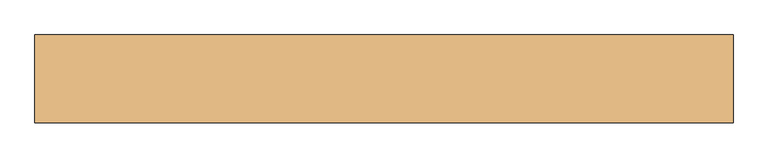
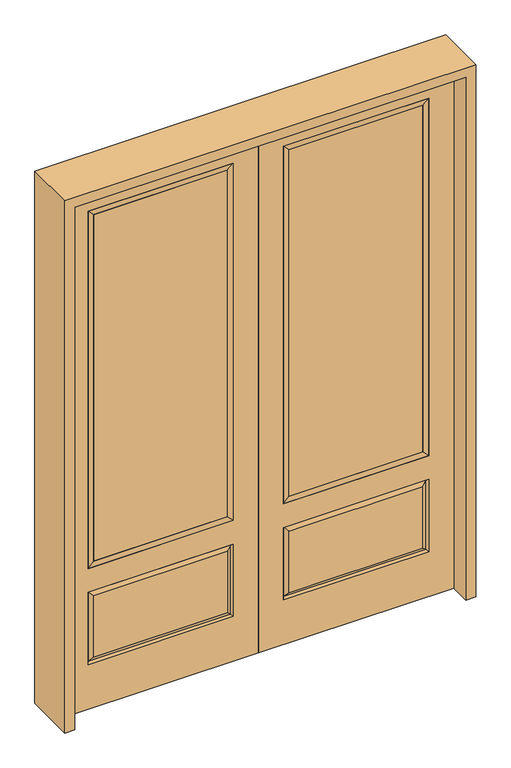
"""IFC4 building model written with IfcOpenShell, lengths in millimetres: door geometry."""

from ifc_helpers import new_model, si_unit, frame, origin, place, context, project, spatial, polyline, outline, extrude, faceted_brep, source, transform, mapped, element, save


def door_88334a49(model_context):
    return source(origin(), model_context, "Body", "SolidModel", [
        extrude(outline(polyline([(136.525, -20.32), (136.525, 5.08), (727.075, 5.08), (727.075, -20.32), (136.525, -20.32)])), frame((0.0, 0.0, 682.498), z_axis=(0.0, 0.0, 1.0), x_axis=(1.0, 0.0, 0.0)), (0.0, 0.0, 1.0), 1616.202),
        faceted_brep([(745.3661499, -12.7912373, 216.6588501), (727.86875, -22.225, 234.15625), (135.73125, -22.225, 234.15625), (118.2338501, -12.7912373, 216.6588501), (111.125, -22.225, 209.55), (752.475, -22.225, 209.55), (752.475, -22.225, 546.1), (745.3661499, -12.7912373, 538.9911499), (0.0, -22.225, 2438.4), (0.0, -22.225, 0.0), (863.6, -22.225, 0.0), (863.6, -22.225, 2438.4), (111.125, -22.225, 546.1), (111.125, -22.225, 2324.1), (752.475, -22.225, 2324.1), (752.475, -22.225, 657.098), (111.125, -22.225, 657.098), (727.86875, -22.225, 521.49375), (135.73125, -22.225, 521.49375), (118.2338501, -12.7912373, 538.9911499), (863.6, 22.225, 0.0), (863.6, 22.225, 2438.4), (0.0, 22.225, 0.0), (0.0, 22.225, 2438.4), (111.125, 22.225, 657.098), (111.125, 22.225, 2324.1), (752.475, 22.225, 657.098), (752.475, 22.225, 2324.1), (135.73125, 22.225, 234.15625), (135.73125, 22.225, 521.49375), (727.86875, 22.225, 521.49375), (727.86875, 22.225, 234.15625), (752.475, 22.225, 209.55), (752.475, 22.225, 546.1), (111.125, 22.225, 546.1), (111.125, 22.225, 209.55), (118.2338501, 12.7912373, 216.6588501), (745.3661499, 12.7912373, 216.6588501), (118.2338501, 12.7912373, 538.9911499), (745.3661499, 12.7912373, 538.9911499)], [[[0, 1, 2, 3]], [[3, 4, 5, 0]], [[5, 6, 7, 0]], [[8, 9, 10, 11], [4, 12, 6, 5], [13, 14, 15, 16]], [[1, 17, 18, 2]], [[3, 19, 12, 4]], [[2, 18, 19, 3]], [[0, 7, 17, 1]], [[6, 12, 19, 7]], [[7, 19, 18, 17]], [[10, 20, 21, 11]], [[9, 22, 20, 10]], [[8, 23, 22, 9]], [[16, 24, 25, 13]], [[15, 26, 24, 16]], [[14, 27, 26, 15]], [[28, 29, 30, 31]], [[23, 21, 20, 22], [25, 24, 26, 27], [32, 33, 34, 35]], [[32, 35, 36, 37]], [[35, 34, 38, 36]], [[39, 38, 34, 33]], [[37, 39, 33, 32]], [[36, 28, 31, 37]], [[31, 30, 39, 37]], [[30, 29, 38, 39]], [[36, 38, 29, 28]], [[11, 21, 23, 8]], [[13, 25, 27, 14]]]),
        faceted_brep([(752.475, -22.225, 2324.1), (752.475, -22.225, 657.098), (752.475, 22.225, 657.098), (752.475, 22.225, 2324.1), (111.125, -22.225, 657.098), (111.125, 22.225, 657.098), (136.525, 5.08, 682.498), (727.075, 5.08, 682.498), (111.125, -22.225, 2324.1), (111.125, 22.225, 2324.1), (727.075, -20.32, 682.498), (136.525, -20.32, 682.498), (727.075, -20.32, 2298.7), (136.525, -20.32, 2298.7), (727.075, 5.08, 2298.7), (136.525, 5.08, 2298.7)], [[[0, 1, 2, 3]], [[1, 4, 5, 2]], [[2, 5, 6, 7]], [[4, 8, 9, 5]], [[10, 11, 4, 1]], [[12, 10, 1, 0]], [[11, 13, 8, 4]], [[7, 6, 11, 10]], [[14, 7, 10, 12]], [[6, 15, 13, 11]], [[3, 2, 7, 14]], [[5, 9, 15, 6]], [[8, 0, 3, 9]], [[13, 12, 0, 8]], [[15, 14, 12, 13]], [[9, 3, 14, 15]]]),
        extrude(outline(polyline([(-136.525, -20.32), (-727.075, -20.32), (-727.075, 5.08), (-136.525, 5.08), (-136.525, -20.32)])), frame((0.0, 0.0, 682.498), z_axis=(0.0, 0.0, 1.0), x_axis=(1.0, 0.0, 0.0)), (0.0, 0.0, 1.0), 1616.202),
        faceted_brep([(-745.3661499, -12.7912373, 216.6588501), (-118.2338501, -12.7912373, 216.6588501), (-135.73125, -22.225, 234.15625), (-727.86875, -22.225, 234.15625), (-752.475, -22.225, 209.55), (-111.125, -22.225, 209.55), (-745.3661499, -12.7912373, 538.9911499), (-752.475, -22.225, 546.1), (-135.73125, -22.225, 521.49375), (-727.86875, -22.225, 521.49375), (0.0, -22.225, 2438.4), (-863.6, -22.225, 2438.4), (-863.6, -22.225, 0.0), (0.0, -22.225, 0.0), (-111.125, -22.225, 546.1), (-111.125, -22.225, 2324.1), (-111.125, -22.225, 657.098), (-752.475, -22.225, 657.098), (-752.475, -22.225, 2324.1), (-118.2338501, -12.7912373, 538.9911499), (-863.6, 22.225, 2438.4), (-863.6, 22.225, 0.0), (0.0, 22.225, 0.0), (0.0, 22.225, 2438.4), (-111.125, 22.225, 2324.1), (-111.125, 22.225, 657.098), (-752.475, 22.225, 657.098), (-752.475, 22.225, 2324.1), (-752.475, 22.225, 209.55), (-111.125, 22.225, 209.55), (-111.125, 22.225, 546.1), (-752.475, 22.225, 546.1), (-135.73125, 22.225, 234.15625), (-727.86875, 22.225, 234.15625), (-727.86875, 22.225, 521.49375), (-135.73125, 22.225, 521.49375), (-745.3661499, 12.7912373, 216.6588501), (-118.2338501, 12.7912373, 216.6588501), (-118.2338501, 12.7912373, 538.9911499), (-745.3661499, 12.7912373, 538.9911499)], [[[0, 1, 2, 3]], [[1, 0, 4, 5]], [[4, 0, 6, 7]], [[3, 2, 8, 9]], [[10, 11, 12, 13], [5, 4, 7, 14], [15, 16, 17, 18]], [[1, 5, 14, 19]], [[2, 1, 19, 8]], [[0, 3, 9, 6]], [[7, 6, 19, 14]], [[6, 9, 8, 19]], [[12, 11, 20, 21]], [[13, 12, 21, 22]], [[10, 13, 22, 23]], [[16, 15, 24, 25]], [[17, 16, 25, 26]], [[18, 17, 26, 27]], [[23, 22, 21, 20], [28, 29, 30, 31], [24, 27, 26, 25]], [[32, 33, 34, 35]], [[28, 36, 37, 29]], [[29, 37, 38, 30]], [[39, 31, 30, 38]], [[36, 28, 31, 39]], [[37, 36, 33, 32]], [[33, 36, 39, 34]], [[34, 39, 38, 35]], [[37, 32, 35, 38]], [[11, 10, 23, 20]], [[15, 18, 27, 24]]]),
        faceted_brep([(-752.475, -22.225, 2324.1), (-752.475, 22.225, 2324.1), (-752.475, 22.225, 657.098), (-752.475, -22.225, 657.098), (-111.125, 22.225, 657.098), (-111.125, -22.225, 657.098), (-727.075, 5.08, 682.498), (-136.525, 5.08, 682.498), (-111.125, 22.225, 2324.1), (-111.125, -22.225, 2324.1), (-727.075, -20.32, 682.498), (-136.525, -20.32, 682.498), (-727.075, -20.32, 2298.7), (-136.525, -20.32, 2298.7), (-727.075, 5.08, 2298.7), (-136.525, 5.08, 2298.7)], [[[0, 1, 2, 3]], [[3, 2, 4, 5]], [[2, 6, 7, 4]], [[5, 4, 8, 9]], [[10, 3, 5, 11]], [[12, 0, 3, 10]], [[11, 5, 9, 13]], [[6, 10, 11, 7]], [[14, 12, 10, 6]], [[7, 11, 13, 15]], [[1, 14, 6, 2]], [[4, 7, 15, 8]], [[9, 8, 1, 0]], [[13, 9, 0, 12]], [[15, 13, 12, 14]], [[8, 15, 14, 1]]]),
        extrude(outline(polyline([(2482.85, -908.05), (0.0, -908.05), (0.0, -863.6), (2438.4, -863.6), (2438.4, 863.6), (0.0, 863.6), (0.0, 908.05), (2482.85, 908.05), (2482.85, -908.05)])), frame((0.0, -114.3, 0.0), z_axis=(0.0, 1.0, 0.0), x_axis=(0.0, 0.0, 1.0)), (0.0, 0.0, 1.0), 228.6),
    ])


if __name__ == "__main__":
    model = new_model("IFC4")
    model_context = context("Model", 3, world=origin())
    ifc_project = project(units=[si_unit("LENGTHUNIT", "METRE", prefix="MILLI")], contexts=[model_context])
    site = spatial("IfcSite", under=ifc_project)
    building = spatial("IfcBuilding", under=site)
    placement = place(None, origin())
    door_shape = door_88334a49(model_context)
    element("IfcDoor", 1, at=placement, inside=building, context=model_context, shape_type="MappedRepresentation", body=[
        mapped(door_shape, transform((0.0, 0.0, 0.0), x_axis=(1.0, 0.0, 0.0), y_axis=(0.0, 1.0, 0.0), z_axis=(0.0, 0.0, 1.0))),
    ])
    save(model, "model.ifc")
